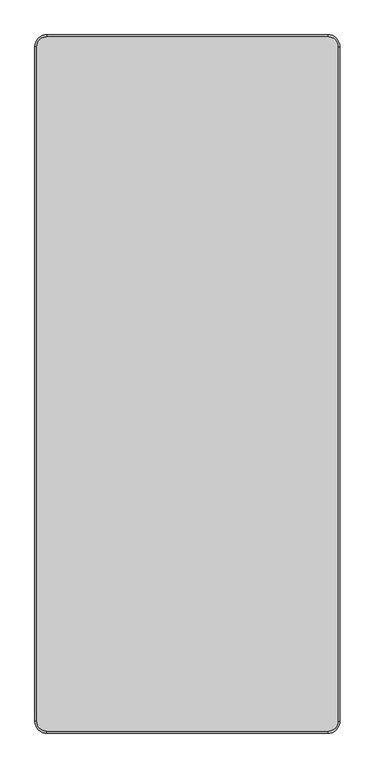
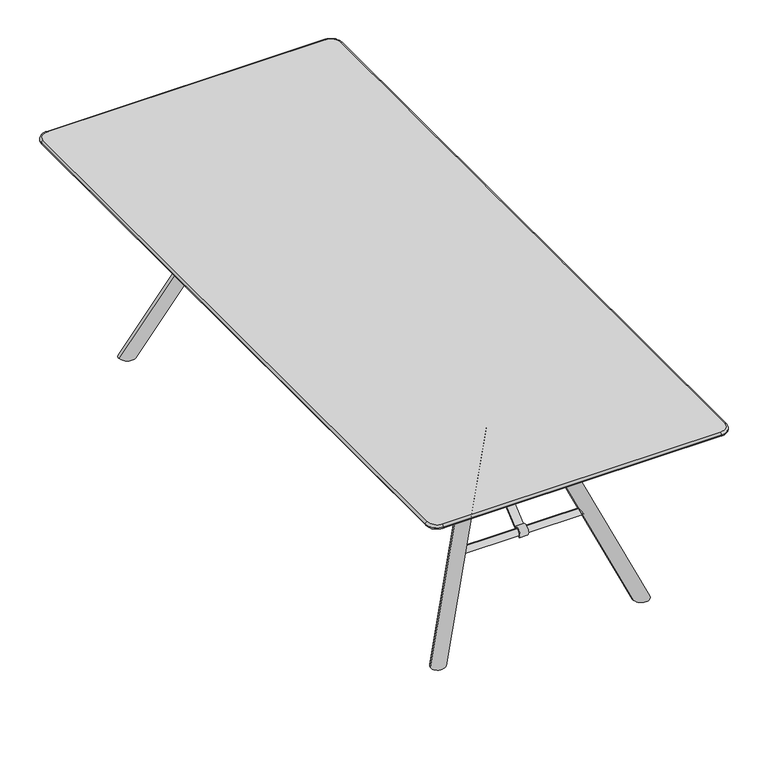
"""IFC4 building model written with IfcOpenShell, lengths in millimetres: furniture geometry."""

import ifcopenshell
import ifcopenshell.guid

model = None  # the IFC model being written
_history = None  # IfcOwnerHistory: only IFC2X3 demands one
_inside = {}  # id of a spatial element -> (the spatial element, [elements in it])
_under = {}  # id of a project, library or spatial element -> (it, [spatial elements below it])
_declared = {}  # id of a project -> (the project, [libraries it declares])
_typed = {}  # id of a type object -> (the type object, [elements of that type])
_made_of = {}  # id of a material, layer set ... -> (it, [elements and type objects made of it])


def new_model(schema):
    """Start an empty IFC model of exactly this schema.

    Asked for "IFC4X3", IfcOpenShell would pick the latest addendum, in which some entities
    have other attributes; the version numbers below select the first issue.
    IFC2X3 requires an IfcOwnerHistory on every rooted entity: one is made here for all.
    """
    global model, _history
    if schema == "IFC4X3":
        model = ifcopenshell.file(schema_version=(4, 3, 0, 0))
    else:
        model = ifcopenshell.file(schema=schema)
    _inside.clear()
    _under.clear()
    _declared.clear()
    _typed.clear()
    _made_of.clear()
    _history = None
    if model.schema == "IFC2X3":
        org = make("IfcOrganization", Name="unknown")
        user = make(
            "IfcPersonAndOrganization",
            ThePerson=make("IfcPerson", FamilyName="unknown"),
            TheOrganization=org,
        )
        app = make(
            "IfcApplication",
            ApplicationDeveloper=org,
            Version="unknown",
            ApplicationFullName="unknown",
            ApplicationIdentifier="unknown",
        )
        _history = make(
            "IfcOwnerHistory",
            OwningUser=user,
            OwningApplication=app,
            ChangeAction="ADDED",
            CreationDate=0,
        )
    return model


def make(cls, **values):
    """One entity of the class cls with the attributes given. An attribute that is None is left unset."""
    return model.create_entity(
        cls, **{name: value for name, value in values.items() if value is not None}
    )


def rooted(cls, **values):
    """An entity with a GlobalId (a new one), such as an element, a storey or a relation."""
    return make(cls, GlobalId=ifcopenshell.guid.new(), OwnerHistory=_history, **values)


def si_unit(unit_type, name, prefix=None):
    """IfcSIUnit, for example si_unit("LENGTHUNIT", "METRE", prefix="MILLI")."""
    return make("IfcSIUnit", UnitType=unit_type, Prefix=prefix, Name=name)


def assignment(units):
    """IfcUnitAssignment: the units of a project."""
    return None if units is None else make("IfcUnitAssignment", Units=units)


def point(xyz):
    """IfcCartesianPoint."""
    return None if xyz is None else make("IfcCartesianPoint", Coordinates=xyz)


def direction(xyz):
    """IfcDirection."""
    return None if xyz is None else make("IfcDirection", DirectionRatios=xyz)


def frame(location, z_axis=None, x_axis=None):
    """IfcAxis2Placement3D, a coordinate frame: its origin and axes. An axis left out is left unset."""
    return make(
        "IfcAxis2Placement3D",
        Location=point(location),
        Axis=direction(z_axis),
        RefDirection=direction(x_axis),
    )


def frame_2d(location, x_axis=None):
    """IfcAxis2Placement2D, a coordinate frame in the plane: its origin and x axis."""
    return make(
        "IfcAxis2Placement2D", Location=point(location), RefDirection=direction(x_axis)
    )


def origin():
    """The frame at (0, 0, 0) with its axes left unset."""
    return frame((0.0, 0.0, 0.0))


def place(relative_to, where):
    """IfcLocalPlacement: puts the frame where relative to a parent placement (None: the world)."""
    return make(
        "IfcLocalPlacement", PlacementRelTo=relative_to, RelativePlacement=where
    )


def context(
    kind, dimensions, precision=None, world=None, true_north=None, identifier=None
):
    """IfcGeometricRepresentationContext, for example the 3D "Model" context."""
    return make(
        "IfcGeometricRepresentationContext",
        ContextIdentifier=identifier,
        ContextType=kind,
        CoordinateSpaceDimension=dimensions,
        Precision=precision,
        WorldCoordinateSystem=world,
        TrueNorth=true_north,
    )


def project(units=None, contexts=None):
    """IfcProject with its units and contexts."""
    return rooted(
        "IfcProject",
        Name="project",
        RepresentationContexts=contexts,
        UnitsInContext=assignment(units),
    )


def spatial(cls, under=None, at=None, **own):
    """A site, building, storey or space (cls), placed at a placement, below another one or the project."""
    s = rooted(cls, ObjectPlacement=at, **own)
    if under is not None:
        _under.setdefault(under.id(), (under, []))[1].append(s)
    return s


def polyline(points):
    """IfcPolyline through the points."""
    return make("IfcPolyline", Points=[point(p) for p in points])


def circle_curve(where, radius):
    """IfcCircle in the frame where."""
    return make("IfcCircle", Position=where, Radius=radius)


def ellipse_curve(where, semi_axis1, semi_axis2):
    """IfcEllipse in the frame where."""
    return make(
        "IfcEllipse", Position=where, SemiAxis1=semi_axis1, SemiAxis2=semi_axis2
    )


def trimmed(basis, trim1, trim2, sense, master):
    """IfcTrimmedCurve: the piece of a basis curve between two trims."""
    return make(
        "IfcTrimmedCurve",
        BasisCurve=basis,
        Trim1=trim1,
        Trim2=trim2,
        SenseAgreement=sense,
        MasterRepresentation=master,
    )


def segment(curve, same_sense, transition):
    """IfcCompositeCurveSegment."""
    return make(
        "IfcCompositeCurveSegment",
        Transition=transition,
        SameSense=same_sense,
        ParentCurve=curve,
    )


def composite_curve(segments, self_intersect=None):
    """IfcCompositeCurve: segments joined end to end."""
    return make("IfcCompositeCurve", Segments=segments, SelfIntersect=self_intersect)


def outline(outer, holes=None, kind="AREA"):
    """IfcArbitraryClosedProfileDef: a profile drawn as a closed curve; with holes, ...WithVoids."""
    if holes is None:
        return make("IfcArbitraryClosedProfileDef", ProfileType=kind, OuterCurve=outer)
    return make(
        "IfcArbitraryProfileDefWithVoids",
        ProfileType=kind,
        OuterCurve=outer,
        InnerCurves=holes,
    )


def extrude(swept, where, along, depth):
    """IfcExtrudedAreaSolid: the profile swept, set in the frame where, extruded along a direction by depth."""
    return make(
        "IfcExtrudedAreaSolid",
        SweptArea=swept,
        Position=where,
        ExtrudedDirection=direction(along),
        Depth=depth,
    )


def shape(context_of_items, identifier, shape_type, items):
    """IfcShapeRepresentation: the items that make up one representation, for example the "Body"."""
    return make(
        "IfcShapeRepresentation",
        ContextOfItems=context_of_items,
        RepresentationIdentifier=identifier,
        RepresentationType=shape_type,
        Items=items,
    )


def source(mapping_origin, context_of_items, identifier, shape_type, items):
    """IfcRepresentationMap: a shape defined once, which mapped items show again and again."""
    return make(
        "IfcRepresentationMap",
        MappingOrigin=mapping_origin,
        MappedRepresentation=shape(context_of_items, identifier, shape_type, items),
    )


def transform(
    local_origin,
    x_axis=None,
    y_axis=None,
    z_axis=None,
    scale=None,
    scale2=None,
    scale3=None,
    uniform=True,
):
    """IfcCartesianTransformationOperator3D, or its non-uniform kind. x_axis, y_axis, z_axis: its Axis1, 2, 3."""
    if uniform:
        return make(
            "IfcCartesianTransformationOperator3D",
            Axis1=direction(x_axis),
            Axis2=direction(y_axis),
            LocalOrigin=point(local_origin),
            Scale=scale,
            Axis3=direction(z_axis),
        )
    return make(
        "IfcCartesianTransformationOperator3DnonUniform",
        Axis1=direction(x_axis),
        Axis2=direction(y_axis),
        LocalOrigin=point(local_origin),
        Scale=scale,
        Axis3=direction(z_axis),
        Scale2=scale2,
        Scale3=scale3,
    )


def mapped(mapping_source, mapping_target):
    """IfcMappedItem: shows the shape of a source again, moved by a transform."""
    return make(
        "IfcMappedItem", MappingSource=mapping_source, MappingTarget=mapping_target
    )


def made_of(thing, what):
    """Note that an element or type object is made of a material, layer set ...; save() writes the relation."""
    if what is not None:
        _made_of.setdefault(what.id(), (what, []))[1].append(thing)
    return thing


def element(
    cls,
    number,
    at=None,
    inside=None,
    cuts=None,
    type_object=None,
    material=None,
    context=None,
    identifier="Body",
    shape_type=None,
    held_by="IfcProductDefinitionShape",
    body=None,
    shapes=None,
    **own,
):
    """One element of the class cls, such as IfcWall. Its Tag is "e" and its number.

    at: its placement. inside: the storey or other place that contains it. cuts: it is an
    opening in that element (IfcRelVoidsElement). A single representation is given by context,
    identifier, shape_type and body (its items); several are given by shapes. held_by: the class
    of the entity that holds the representations. save() writes the other relations.
    """
    e = rooted(cls, Tag="e%d" % number, ObjectPlacement=at, **own)
    if body is not None:
        shapes = [shape(context, identifier, shape_type, body)]
    if shapes is not None:
        e.Representation = make(held_by, Representations=shapes)
    if inside is not None:
        _inside.setdefault(inside.id(), (inside, []))[1].append(e)
    if cuts is not None:
        rooted(
            "IfcRelVoidsElement", RelatingBuildingElement=cuts, RelatedOpeningElement=e
        )
    if type_object is not None:
        _typed.setdefault(type_object.id(), (type_object, []))[1].append(e)
    return made_of(e, material)


def aggregate(whole, parts):
    """IfcRelAggregates: a whole, such as a stair, and the parts it consists of."""
    return rooted("IfcRelAggregates", RelatingObject=whole, RelatedObjects=parts)


def save(model, path):
    """Write the relations noted so far, then the file.

    IfcRelAggregates (storeys below a building ...), IfcRelContainedInSpatialStructure (elements
    in a storey), IfcRelDefinesByType, IfcRelAssociatesMaterial and IfcRelDeclares: one each for
    every whole, place, type object, material and project.
    """
    for whole, parts in _under.values():
        aggregate(whole, parts)
    for where, things in _inside.values():
        rooted(
            "IfcRelContainedInSpatialStructure",
            RelatedElements=things,
            RelatingStructure=where,
        )
    for kind, things in _typed.values():
        rooted("IfcRelDefinesByType", RelatedObjects=things, RelatingType=kind)
    for what, things in _made_of.values():
        rooted("IfcRelAssociatesMaterial", RelatedObjects=things, RelatingMaterial=what)
    for by, libraries in _declared.values():
        rooted("IfcRelDeclares", RelatingContext=by, RelatedDefinitions=libraries)
    model.write(path)


def plane_surface(at):
    """IfcPlane: the flat surface through the origin of the frame at, square to its z axis."""
    return make("IfcPlane", Position=at)


def cylinder_surface(at, radius):
    """IfcCylindricalSurface: all points at the distance radius from the z axis of the frame at."""
    return make("IfcCylindricalSurface", Position=at, Radius=radius)


def revolved_surface(curve, axis_point, axis_direction):
    """IfcSurfaceOfRevolution: the curve turned about the line through axis_point along axis_direction."""
    return make(
        "IfcSurfaceOfRevolution",
        SweptCurve=make("IfcArbitraryOpenProfileDef", ProfileType="CURVE", Curve=curve),
        AxisPosition=make("IfcAxis1Placement", Location=point(axis_point), Axis=direction(axis_direction)),
    )


def advanced_brep(points, edges, surfaces, faces):
    """IfcAdvancedBrep: a solid bounded by faces that lie on surfaces and meet in shared edges.

    An edge is (start, end): straight between two places in points (the first is 0);
    or (start, end, curve); or (start, end, curve, False) where it runs against its curve.
    A face is (place in surfaces, loops), or (place, loops, False) where it looks against
    its surface's normal. A loop lists edges by number (the first is 1), with a minus sign
    where the edge is run from its end to its start. The first loop is the outer one.
    """
    corners = [point(p) for p in points]
    vertices = [make("IfcVertexPoint", VertexGeometry=c) for c in corners]
    made = []
    for start, end, *more in edges:
        made.append(
            make(
                "IfcEdgeCurve",
                EdgeStart=vertices[start],
                EdgeEnd=vertices[end],
                EdgeGeometry=more[0] if more else make("IfcPolyline", Points=[corners[start], corners[end]]),
                SameSense=more[1] if len(more) > 1 else True,
            )
        )
    hull = []
    for where, loops, *sense in faces:
        bounds = []
        for j, loop in enumerate(loops):
            ring = [make("IfcOrientedEdge", EdgeElement=made[abs(k) - 1], Orientation=k > 0) for k in loop]
            bounds.append(
                make(
                    "IfcFaceOuterBound" if j == 0 else "IfcFaceBound",
                    Bound=make("IfcEdgeLoop", EdgeList=ring),
                    Orientation=True,
                )
            )
        hull.append(make("IfcAdvancedFace", Bounds=bounds, FaceSurface=surfaces[where], SameSense=sense[0] if sense else True))
    return make("IfcAdvancedBrep", Outer=make("IfcClosedShell", CfsFaces=hull))


def furniture_215f58f5(model_context):
    return source(origin(), model_context, "Body", "SolidModel", [
        extrude(outline(composite_curve([segment(polyline([(-382.7995356, 696.9999876), (-318.4674309, 696.9999876), (-318.4674309, 693.9557965), (-381.7040688, 693.9557965), (-822.3687476, 318.9245802)]), True, "CONTINUOUS"), segment(trimmed(circle_curve(frame_2d((-834.262824, 308.2132689)), 16.0062876), [point((-822.3687476, 318.9245802))], [point((-846.8884441, 298.374826))], True, "CARTESIAN"), True, "CONTINUOUS"), segment(polyline([(-846.8884441, 298.374826), (-849.0227537, 296.2405164)]), True, "CONTINUOUS"), segment(trimmed(circle_curve(frame_2d((-834.961095, 308.9632055)), 18.9630446), [point((-849.0227537, 296.2405164))], [point((-822.2099951, 322.9991063))], False, "CARTESIAN"), True, "CONTINUOUS"), segment(polyline([(-822.2099951, 322.9991063), (-382.7995356, 696.9999876)]), True, "CONTINUOUS")], self_intersect=False)), frame((-18.7488756, 0.0, 0.0), z_axis=(1.0, 0.0, 0.0), x_axis=(0.0, 1.0, 0.0)), (0.0, 0.0, 1.0), 30.0854304),
        advanced_brep(
        [(-234.1299418, -834.5006792, 296.9759032), (-234.1299418, -834.5006792, 320.4264818), (-234.1299418, -834.5006792, 308.7011925), (225.8700582, -834.5006792, 308.7011925), (225.8700582, -834.5006792, 320.4264818), (225.8700582, -834.5006792, 296.9759032)],
        [
            (0, 1, circle_curve(frame((-234.1299418, -834.5006792, 308.7011925), z_axis=(-1.0, 0.0, 0.0), x_axis=(0.0, 0.0, 1.0)), 11.7252893)),
            (1, 2),
            (2, 0),
            (1, 0, circle_curve(frame((-234.1299418, -834.5006792, 308.7011925), z_axis=(-1.0, 0.0, 0.0), x_axis=(0.0, 0.0, 1.0)), 11.7252893)),
            (3, 4),
            (4, 5, circle_curve(frame((225.8700582, -834.5006792, 308.7011925), z_axis=(1.0, 0.0, 0.0), x_axis=(0.0, 0.0, 1.0)), 11.7252893)),
            (5, 3),
            (5, 4, circle_curve(frame((225.8700582, -834.5006792, 308.7011925), z_axis=(1.0, 0.0, 0.0), x_axis=(0.0, 0.0, 1.0)), 11.7252893)),
            (4, 1, circle_curve(frame((-4.1299418, -834.5006792, -4735.1313064), z_axis=(0.0, -1.0, 0.0), x_axis=(0.0, 0.0, -1.0)), 5060.7869497)),
            (0, 5, circle_curve(frame((-4.1299418, -834.5006792, 5352.5336915), z_axis=(0.0, -1.0, 0.0), x_axis=(0.0, 0.0, 1.0)), 5060.7869497)),
        ],
        [
            plane_surface(frame((-234.1299418, -834.5006792, 308.7011925), z_axis=(-1.0, 0.0, 0.0), x_axis=(0.0, 0.0, 1.0))),
            plane_surface(frame((225.8700582, -834.5006792, 308.7011925), z_axis=(1.0, 0.0, 0.0), x_axis=(0.0, 0.0, 1.0))),
            revolved_surface(trimmed(ellipse_curve(frame((-4.1299418, -834.5006792, -4735.1313064), z_axis=(0.0, 1.0, 0.0), x_axis=(0.0, 0.0, -1.0)), 5060.7869497, 5060.7869497), [point((-234.1299418, -834.5006792, 320.4264818))], [point((225.8700582, -834.5006792, 320.4264818))], True, "CARTESIAN"), (225.8700582, -834.5006792, 308.7011925), (1.0, 0.0, 0.0)),
        ],
        [
            (0, [[1, 2, 3]]),
            (0, [[4, -3, -2]]),
            (1, [[5, 6, 7]]),
            (1, [[-7, 8, -5]]),
            (2, [[-6, 9, -1, 10]]),
            (2, [[-8, -10, -4, -9]]),
        ],
    ),
        extrude(outline(composite_curve([segment(polyline([(382.7995356, 696.9999876), (822.2099951, 322.9991063)]), True, "CONTINUOUS"), segment(trimmed(circle_curve(frame_2d((834.961095, 308.9632055)), 18.9630446), [point((822.2099951, 322.9991063))], [point((849.0227537, 296.2405164))], False, "CARTESIAN"), True, "CONTINUOUS"), segment(polyline([(849.0227537, 296.2405164), (846.8884441, 298.374826)]), True, "CONTINUOUS"), segment(trimmed(circle_curve(frame_2d((834.262824, 308.2132689)), 16.0062876), [point((846.8884441, 298.374826))], [point((822.3687476, 318.9245802))], True, "CARTESIAN"), True, "CONTINUOUS"), segment(polyline([(822.3687476, 318.9245802), (381.7040688, 693.9557965), (318.4674309, 693.9557965), (318.4674309, 696.9999876), (382.7995356, 696.9999876)]), True, "CONTINUOUS")], self_intersect=False)), frame((-18.7488756, 0.0, 0.0), z_axis=(1.0, 0.0, 0.0), x_axis=(0.0, 1.0, 0.0)), (0.0, 0.0, 1.0), 30.0854304),
        advanced_brep(
        [(-234.1299418, 834.5006792, 308.7011925), (-234.1299418, 834.5006792, 320.4264818), (-234.1299418, 834.5006792, 296.9759032), (225.8700582, 834.5006792, 296.9759032), (225.8700582, 834.5006792, 320.4264818), (225.8700582, 834.5006792, 308.7011925)],
        [
            (0, 1),
            (1, 2, circle_curve(frame((-234.1299418, 834.5006792, 308.7011925), z_axis=(-1.0, 0.0, 0.0), x_axis=(0.0, 0.0, 1.0)), 11.7252893)),
            (2, 0),
            (2, 1, circle_curve(frame((-234.1299418, 834.5006792, 308.7011925), z_axis=(-1.0, 0.0, 0.0), x_axis=(0.0, 0.0, 1.0)), 11.7252893)),
            (3, 4, circle_curve(frame((225.8700582, 834.5006792, 308.7011925), z_axis=(1.0, 0.0, 0.0), x_axis=(0.0, 0.0, 1.0)), 11.7252893)),
            (4, 5),
            (5, 3),
            (4, 3, circle_curve(frame((225.8700582, 834.5006792, 308.7011925), z_axis=(1.0, 0.0, 0.0), x_axis=(0.0, 0.0, 1.0)), 11.7252893)),
            (1, 4, circle_curve(frame((-4.1299418, 834.5006792, -4735.1313064), z_axis=(0.0, 1.0, 0.0), x_axis=(0.0, 0.0, -1.0)), 5060.7869497)),
            (3, 2, circle_curve(frame((-4.1299418, 834.5006792, 5352.5336915), z_axis=(0.0, 1.0, 0.0), x_axis=(0.0, 0.0, 1.0)), 5060.7869497)),
        ],
        [
            plane_surface(frame((-234.1299418, 834.5006792, 308.7011925), z_axis=(-1.0, 0.0, 0.0), x_axis=(0.0, 0.0, 1.0))),
            plane_surface(frame((225.8700582, 834.5006792, 308.7011925), z_axis=(1.0, 0.0, 0.0), x_axis=(0.0, 0.0, 1.0))),
            revolved_surface(trimmed(ellipse_curve(frame((-4.1299418, 834.5006792, -4735.1313064), z_axis=(0.0, -1.0, 0.0), x_axis=(0.0, 0.0, -1.0)), 5060.7869497, 5060.7869497), [point((225.8700582, 834.5006792, 320.4264818))], [point((-234.1299418, 834.5006792, 320.4264818))], True, "CARTESIAN"), (225.8700582, 834.5006792, 308.7011925), (-1.0, 0.0, 0.0)),
        ],
        [
            (0, [[1, 2, 3]]),
            (0, [[-3, 4, -1]]),
            (1, [[5, 6, 7]]),
            (1, [[8, -7, -6]]),
            (2, [[-2, 9, -5, 10]]),
            (2, [[-4, -10, -8, -9]]),
        ],
    ),
        advanced_brep(
        [(327.1101507, -939.6804862, 0.0), (380.6471861, -939.3695552, 0.0), (109.9688176, -718.7539753, 667.7772071), (63.3065195, -724.66814, 650.8168831)],
        [
            (0, 1, ellipse_curve(frame((353.8786684, -939.5250207, 0.0), z_axis=(0.0, 0.0, -1.0), x_axis=(-0.7751468611530293, 0.6317810883879051, 0.0)), 28.2117965, 25.0)),
            (1, 0, ellipse_curve(frame((353.8786684, -939.5250207, 0.0), z_axis=(0.0, 0.0, -1.0), x_axis=(-0.7751468611530293, 0.6317810883879051, 0.0)), 28.2117965, 25.0)),
            (2, 3, circle_curve(frame((86.6376685, -721.7110576, 659.2970451), z_axis=(-0.35919577864696833, 0.29276142541603045, 0.8861541290264195), x_axis=(-0.9332459618296185, -0.1182832937809614, -0.33920648157285704)), 25.0)),
            (3, 2, circle_curve(frame((86.6376685, -721.7110576, 659.2970451), z_axis=(-0.35919577864696833, 0.29276142541603045, 0.8861541290264195), x_axis=(-0.9332459618296185, -0.1182832937809614, -0.33920648157285704)), 25.0)),
            (2, 1),
            (0, 3),
        ],
        [
            plane_surface(frame((414.9551578, -894.6298519, 0.0), z_axis=(0.0, 0.0, -1.0), x_axis=(-1.0, 0.0, 0.0))),
            plane_surface(frame((63.3065195, -724.66814, 650.8168831), z_axis=(-0.3591957786469684, 0.29276142541603045, 0.8861541290264195), x_axis=(0.005510656123217832, -0.9488412987432097, 0.315705277859574))),
            cylinder_surface(frame((359.1565975, -943.8267807, -13.0209177), z_axis=(-0.35919577864696833, 0.29276142541603045, 0.8861541290264195), x_axis=(-0.9332459618296185, -0.1182832937809614, -0.33920648157285704)), 25.0),
        ],
        [
            (0, [[1, 2]]),
            (1, [[3, 4]]),
            (2, [[-3, 5, -1, 6]]),
            (2, [[-4, -6, -2, -5]]),
        ],
    ),
        advanced_brep(
        [(-109.9688176, -718.7539753, 667.7772071), (-63.3065195, -724.66814, 650.8168831), (-327.1101507, -939.6804862, 0.0), (-380.6471861, -939.3695552, 0.0)],
        [
            (0, 1, circle_curve(frame((-86.6376685, -721.7110576, 659.2970451), z_axis=(0.3591957786469684, 0.2927614254160305, 0.8861541290264195), x_axis=(0.9332459618296185, -0.11828329378096139, -0.3392064815728571)), 25.0)),
            (1, 0, circle_curve(frame((-86.6376685, -721.7110576, 659.2970451), z_axis=(0.3591957786469684, 0.2927614254160305, 0.8861541290264195), x_axis=(0.9332459618296185, -0.11828329378096139, -0.3392064815728571)), 25.0)),
            (1, 2),
            (2, 3, ellipse_curve(frame((-353.8786684, -939.5250207, 0.0), z_axis=(0.0, 0.0, 1.0), x_axis=(0.7751468611530294, 0.6317810883879053, 0.0)), 28.2117965, 25.0)),
            (3, 0),
            (3, 2, ellipse_curve(frame((-353.8786684, -939.5250207, 0.0), z_axis=(0.0, 0.0, 1.0), x_axis=(0.7751468611530294, 0.6317810883879053, 0.0)), 28.2117965, 25.0)),
        ],
        [
            plane_surface(frame((-63.3065195, -724.66814, 650.8168831), z_axis=(0.3591957786469684, 0.2927614254160305, 0.8861541290264195), x_axis=(0.005510656123217837, 0.9488412987432097, -0.31570527785957403))),
            cylinder_surface(frame((-359.1565975, -943.8267807, -13.0209177), z_axis=(0.3591957786469684, 0.2927614254160305, 0.8861541290264195), x_axis=(0.9332459618296185, -0.11828329378096139, -0.3392064815728571)), 25.0),
            plane_surface(frame((414.9551578, -894.6298519, 0.0), z_axis=(0.0, 0.0, -1.0), x_axis=(-1.0, 0.0, 0.0))),
        ],
        [
            (0, [[1, 2]]),
            (1, [[-2, 3, 4, 5]]),
            (1, [[-1, -5, 6, -3]]),
            (2, [[-4, -6]]),
        ],
    ),
        extrude(outline(polyline([(705.4756617, -300.8039954), (687.6294954, -300.8039954), (642.3006437, -190.0), (642.3006437, 190.0), (687.6294954, 300.8039954), (705.4756617, 300.8039954), (705.4756617, -300.8039954)])), frame((0.0, -775.405654, 0.0), z_axis=(0.0, 1.0, 0.0), x_axis=(0.0, 0.0, 1.0)), (0.0, 0.0, 1.0), 100.000054),
        advanced_brep(
        [(380.6471861, 939.3695552, 0.0), (327.1101507, 939.6804862, 0.0), (109.9688176, 718.7539753, 667.7772071), (63.3065195, 724.66814, 650.8168831)],
        [
            (0, 1, ellipse_curve(frame((353.8786684, 939.5250207, 0.0), z_axis=(0.0, 0.0, -1.0), x_axis=(-0.7751468611530293, -0.6317810883879051, 0.0)), 28.2117965, 25.0)),
            (1, 0, ellipse_curve(frame((353.8786684, 939.5250207, 0.0), z_axis=(0.0, 0.0, -1.0), x_axis=(-0.7751468611530293, -0.6317810883879051, 0.0)), 28.2117965, 25.0)),
            (2, 3, circle_curve(frame((86.6376685, 721.7110576, 659.2970451), z_axis=(-0.35919577864696833, -0.29276142541603045, 0.8861541290264195), x_axis=(-0.9332459618296185, 0.1182832937809614, -0.33920648157285704)), 25.0)),
            (3, 2, circle_curve(frame((86.6376685, 721.7110576, 659.2970451), z_axis=(-0.35919577864696833, -0.29276142541603045, 0.8861541290264195), x_axis=(-0.9332459618296185, 0.1182832937809614, -0.33920648157285704)), 25.0)),
            (3, 1),
            (0, 2),
        ],
        [
            plane_surface(frame((414.9551578, 999.6298519, 0.0), z_axis=(0.0, 0.0, -1.0), x_axis=(-1.0, 0.0, 0.0))),
            plane_surface(frame((63.3065195, 724.66814, 650.8168831), z_axis=(-0.35919577864696833, -0.29276142541603045, 0.8861541290264195), x_axis=(-0.005510656123217832, -0.9488412987432097, -0.315705277859574))),
            cylinder_surface(frame((359.1565975, 943.8267807, -13.0209177), z_axis=(-0.35919577864696833, -0.29276142541603045, 0.8861541290264195), x_axis=(-0.9332459618296185, 0.1182832937809614, -0.33920648157285704)), 25.0),
        ],
        [
            (0, [[1, 2]]),
            (1, [[3, 4]]),
            (2, [[-4, 5, -1, 6]]),
            (2, [[-3, -6, -2, -5]]),
        ],
    ),
        advanced_brep(
        [(-109.9688176, 718.7539753, 667.7772071), (-63.3065195, 724.66814, 650.8168831), (-380.6471861, 939.3695552, 0.0), (-327.1101507, 939.6804862, 0.0)],
        [
            (0, 1, circle_curve(frame((-86.6376685, 721.7110576, 659.2970451), z_axis=(0.3591957786469684, -0.2927614254160305, 0.8861541290264195), x_axis=(0.9332459618296185, 0.11828329378096139, -0.3392064815728571)), 25.0)),
            (1, 0, circle_curve(frame((-86.6376685, 721.7110576, 659.2970451), z_axis=(0.3591957786469684, -0.2927614254160305, 0.8861541290264195), x_axis=(0.9332459618296185, 0.11828329378096139, -0.3392064815728571)), 25.0)),
            (0, 2),
            (2, 3, ellipse_curve(frame((-353.8786684, 939.5250207, 0.0), z_axis=(0.0, 0.0, 1.0), x_axis=(0.7751468611530294, -0.6317810883879053, 0.0)), 28.2117965, 25.0)),
            (3, 1),
            (3, 2, ellipse_curve(frame((-353.8786684, 939.5250207, 0.0), z_axis=(0.0, 0.0, 1.0), x_axis=(0.7751468611530294, -0.6317810883879053, 0.0)), 28.2117965, 25.0)),
        ],
        [
            plane_surface(frame((-63.3065195, 724.66814, 650.8168831), z_axis=(0.3591957786469684, -0.2927614254160305, 0.8861541290264195), x_axis=(-0.005510656123217837, 0.9488412987432097, 0.31570527785957403))),
            cylinder_surface(frame((-359.1565975, 943.8267807, -13.0209177), z_axis=(0.3591957786469684, -0.2927614254160305, 0.8861541290264195), x_axis=(0.9332459618296185, 0.11828329378096139, -0.3392064815728571)), 25.0),
            plane_surface(frame((414.9551578, 999.6298519, 0.0), z_axis=(0.0, 0.0, -1.0), x_axis=(-1.0, 0.0, 0.0))),
        ],
        [
            (0, [[1, 2]]),
            (1, [[-1, 3, 4, 5]]),
            (1, [[-2, -5, 6, -3]]),
            (2, [[-4, -6]]),
        ],
    ),
        extrude(outline(polyline([(705.4756617, -300.8039954), (687.6294954, -300.8039954), (642.3006437, -190.0), (642.3006437, 190.0), (687.6294954, 300.8039954), (705.4756617, 300.8039954), (705.4756617, -300.8039954)])), frame((0.0, 675.4056, 0.0), z_axis=(0.0, 1.0, 0.0), x_axis=(0.0, 0.0, 1.0)), (0.0, 0.0, 1.0), 100.000054),
        advanced_brep(
        [(518.3875297, 1160.0, 720.0), (485.0, 1193.3875297, 720.0), (-485.0, 1193.3875297, 720.0), (-518.3875297, 1160.0, 720.0), (-518.3875297, -1160.0, 720.0), (-485.0, -1193.3875297, 720.0), (485.0, -1193.3875297, 720.0), (518.3875297, -1160.0, 720.0), (485.0, 1165.0005076, 696.9999876), (490.0005076, 1160.0, 696.9999876), (490.0005076, -1160.0, 696.9999876), (485.0, -1165.0005076, 696.9999876), (-485.0, -1165.0005076, 696.9999876), (-490.0005076, -1160.0, 696.9999876), (-490.0005076, 1160.0, 696.9999876), (-485.0, 1165.0005076, 696.9999876), (521.0321209, 1160.0, 706.6108805), (485.0, 1196.0321209, 706.6108805), (485.0, 1200.0, 711.9936098), (525.0, 1160.0, 711.9936098), (525.0, 1160.0, 713.3875297), (485.0, 1200.0, 713.3875297), (521.0321209, -1160.0, 706.6108805), (525.0, -1160.0, 711.9936098), (525.0, -1160.0, 713.3875297), (485.0, -1196.0321209, 706.6108805), (485.0, -1200.0, 711.9936098), (485.0, -1200.0, 713.3875297), (-485.0, -1196.0321209, 706.6108805), (-485.0, -1200.0, 711.9936098), (-485.0, -1200.0, 713.3875297), (-521.0321209, -1160.0, 706.6108805), (-525.0, -1160.0, 711.9936098), (-525.0, -1160.0, 713.3875297), (-521.0321209, 1160.0, 706.6108805), (-525.0, 1160.0, 711.9936098), (-525.0, 1160.0, 713.3875297), (-485.0, 1196.0321209, 706.6108805), (-485.0, 1200.0, 711.9936098), (-485.0, 1200.0, 713.3875297)],
        [
            (0, 1, circle_curve(frame((485.0, 1160.0, 720.0), z_axis=(0.0, 0.0, 1.0), x_axis=(0.0, 1.0, 0.0)), 33.3875297)),
            (1, 2),
            (2, 3, circle_curve(frame((-485.0, 1160.0, 720.0), z_axis=(0.0, 0.0, 1.0), x_axis=(-1.0, 0.0, 0.0)), 33.3875297)),
            (3, 4),
            (4, 5, circle_curve(frame((-485.0, -1160.0, 720.0), z_axis=(0.0, 0.0, 1.0), x_axis=(0.0, -1.0, 0.0)), 33.3875297)),
            (5, 6),
            (6, 7, circle_curve(frame((485.0, -1160.0, 720.0), z_axis=(0.0, 0.0, 1.0), x_axis=(1.0, 0.0, 0.0)), 33.3875297)),
            (7, 0),
            (8, 9, circle_curve(frame((485.0, 1160.0, 696.9999876), z_axis=(0.0, 0.0, -1.0), x_axis=(0.0, 1.0, 0.0)), 5.0005076)),
            (9, 10),
            (10, 11, circle_curve(frame((485.0, -1160.0, 696.9999876), z_axis=(0.0, 0.0, -1.0), x_axis=(1.0, 0.0, 0.0)), 5.0005076)),
            (11, 12),
            (12, 13, circle_curve(frame((-485.0, -1160.0, 696.9999876), z_axis=(0.0, 0.0, -1.0), x_axis=(0.0, -1.0, 0.0)), 5.0005076)),
            (13, 14),
            (14, 15, circle_curve(frame((-485.0, 1160.0, 696.9999876), z_axis=(0.0, 0.0, -1.0), x_axis=(-1.0, 0.0, 0.0)), 5.0005076)),
            (15, 8),
            (16, 9),
            (8, 17),
            (17, 16, circle_curve(frame((485.0, 1160.0, 706.6108805), z_axis=(0.0, 0.0, -1.0), x_axis=(0.0, 1.0, 0.0)), 36.0321209)),
            (17, 18, circle_curve(frame((485.0, 1194.3650199, 711.9936098), z_axis=(1.0, 0.0, 0.0), x_axis=(0.0, -1.0, 0.0)), 5.6349801)),
            (18, 19, circle_curve(frame((485.0, 1160.0, 711.9936098), z_axis=(0.0, 0.0, -1.0), x_axis=(0.0, 1.0, 0.0)), 40.0)),
            (19, 16, circle_curve(frame((519.3650199, 1160.0, 711.9936098), z_axis=(0.0, 1.0, 0.0), x_axis=(-1.0, 0.0, 0.0)), 5.6349801)),
            (0, 20, circle_curve(frame((518.3875297, 1160.0, 713.3875297), z_axis=(0.0, 1.0, 0.0), x_axis=(-1.0, 0.0, 0.0)), 6.6124703)),
            (20, 21, circle_curve(frame((485.0, 1160.0, 713.3875297), z_axis=(0.0, 0.0, 1.0), x_axis=(0.0, 1.0, 0.0)), 40.0)),
            (21, 1, circle_curve(frame((485.0, 1193.3875297, 713.3875297), z_axis=(1.0, 0.0, 0.0), x_axis=(0.0, -1.0, 0.0)), 6.6124703)),
            (16, 22),
            (22, 10),
            (19, 23),
            (23, 22, circle_curve(frame((519.3650199, -1160.0, 711.9936098), z_axis=(0.0, 1.0, 0.0), x_axis=(-1.0, 0.0, 0.0)), 5.6349801)),
            (7, 24, circle_curve(frame((518.3875297, -1160.0, 713.3875297), z_axis=(0.0, 1.0, 0.0), x_axis=(-1.0, 0.0, 0.0)), 6.6124703)),
            (24, 20),
            (22, 25, circle_curve(frame((485.0, -1160.0, 706.6108805), z_axis=(0.0, 0.0, -1.0), x_axis=(1.0, 0.0, 0.0)), 36.0321209)),
            (25, 11),
            (23, 26, circle_curve(frame((485.0, -1160.0, 711.9936098), z_axis=(0.0, 0.0, -1.0), x_axis=(1.0, 0.0, 0.0)), 40.0)),
            (26, 25, circle_curve(frame((485.0, -1194.3650199, 711.9936098), z_axis=(1.0, 0.0, 0.0), x_axis=(0.0, 1.0, 0.0)), 5.6349801)),
            (6, 27, circle_curve(frame((485.0, -1193.3875297, 713.3875297), z_axis=(1.0, 0.0, 0.0), x_axis=(0.0, 1.0, 0.0)), 6.6124703)),
            (27, 24, circle_curve(frame((485.0, -1160.0, 713.3875297), z_axis=(0.0, 0.0, 1.0), x_axis=(1.0, 0.0, 0.0)), 40.0)),
            (25, 28),
            (28, 12),
            (26, 29),
            (29, 28, circle_curve(frame((-485.0, -1194.3650199, 711.9936098), z_axis=(1.0, 0.0, 0.0), x_axis=(0.0, 1.0, 0.0)), 5.6349801)),
            (5, 30, circle_curve(frame((-485.0, -1193.3875297, 713.3875297), z_axis=(1.0, 0.0, 0.0), x_axis=(0.0, 1.0, 0.0)), 6.6124703)),
            (30, 27),
            (28, 31, circle_curve(frame((-485.0, -1160.0, 706.6108805), z_axis=(0.0, 0.0, -1.0), x_axis=(0.0, -1.0, 0.0)), 36.0321209)),
            (31, 13),
            (29, 32, circle_curve(frame((-485.0, -1160.0, 711.9936098), z_axis=(0.0, 0.0, -1.0), x_axis=(0.0, -1.0, 0.0)), 40.0)),
            (32, 31, circle_curve(frame((-519.3650199, -1160.0, 711.9936098), z_axis=(0.0, -1.0, 0.0), x_axis=(1.0, 0.0, 0.0)), 5.6349801)),
            (4, 33, circle_curve(frame((-518.3875297, -1160.0, 713.3875297), z_axis=(0.0, -1.0, 0.0), x_axis=(1.0, 0.0, 0.0)), 6.6124703)),
            (33, 30, circle_curve(frame((-485.0, -1160.0, 713.3875297), z_axis=(0.0, 0.0, 1.0), x_axis=(0.0, -1.0, 0.0)), 40.0)),
            (31, 34),
            (34, 14),
            (32, 35),
            (35, 34, circle_curve(frame((-519.3650199, 1160.0, 711.9936098), z_axis=(0.0, -1.0, 0.0), x_axis=(1.0, 0.0, 0.0)), 5.6349801)),
            (3, 36, circle_curve(frame((-518.3875297, 1160.0, 713.3875297), z_axis=(0.0, -1.0, 0.0), x_axis=(1.0, 0.0, 0.0)), 6.6124703)),
            (36, 33),
            (34, 37, circle_curve(frame((-485.0, 1160.0, 706.6108805), z_axis=(0.0, 0.0, -1.0), x_axis=(-1.0, 0.0, 0.0)), 36.0321209)),
            (37, 15),
            (35, 38, circle_curve(frame((-485.0, 1160.0, 711.9936098), z_axis=(0.0, 0.0, -1.0), x_axis=(-1.0, 0.0, 0.0)), 40.0)),
            (38, 37, circle_curve(frame((-485.0, 1194.3650199, 711.9936098), z_axis=(-1.0, 0.0, 0.0), x_axis=(0.0, -1.0, 0.0)), 5.6349801)),
            (2, 39, circle_curve(frame((-485.0, 1193.3875297, 713.3875297), z_axis=(-1.0, 0.0, 0.0), x_axis=(0.0, -1.0, 0.0)), 6.6124703)),
            (39, 36, circle_curve(frame((-485.0, 1160.0, 713.3875297), z_axis=(0.0, 0.0, 1.0), x_axis=(-1.0, 0.0, 0.0)), 40.0)),
            (37, 17),
            (38, 18),
            (21, 39),
            (21, 18),
            (38, 39),
            (35, 36),
            (32, 33),
            (29, 30),
            (26, 27),
            (23, 24),
            (19, 20),
        ],
        [
            plane_surface(frame((-485.310117, 1200.0, 720.0), z_axis=(0.0, 0.0, 1.0), x_axis=(-1.0, 0.0, 0.0))),
            plane_surface(frame((-485.310117, 1200.0, 696.9999876), z_axis=(0.0, 0.0, -1.0), x_axis=(1.0, 0.0, 0.0))),
            revolved_surface(polyline([(485.0, 1196.0321209, 706.6108805), (485.0, 1165.0005076, 696.9999876)]), (485.0, 1160.0, -18.7809165), (0.0, 0.0, -1.0)),
            revolved_surface(trimmed(ellipse_curve(frame((485.0, 1194.3650199, 711.9936098), z_axis=(-1.0, 0.0, 0.0), x_axis=(0.0, -1.0, 0.0)), 5.6349801, 5.6349801), [point((485.0, 1200.0, 711.9936098))], [point((485.0, 1196.0321209, 706.6108805))], True, "CARTESIAN"), (485.0, 1160.0, -18.7809165), (0.0, 0.0, -1.0)),
            revolved_surface(trimmed(ellipse_curve(frame((485.0, 1193.3875297, 713.3875297), z_axis=(-1.0, 0.0, 0.0), x_axis=(0.0, -1.0, 0.0)), 6.6124703, 6.6124703), [point((485.0, 1193.3875297, 720.0))], [point((485.0, 1200.0, 713.3875297))], True, "CARTESIAN"), (485.0, 1160.0, -18.7809165), (0.0, 0.0, -1.0)),
            plane_surface(frame((490.0005076, 1160.0, 696.9999876), z_axis=(0.295848611790623, 0.0, -0.9552348396606781), x_axis=(0.0, -1.0, 0.0))),
            cylinder_surface(frame((519.3650199, 1160.0, 711.9936098), z_axis=(0.0, -1.0, 0.0), x_axis=(-1.0, 0.0, 0.0)), 5.6349801),
            cylinder_surface(frame((518.3875297, 1160.0, 713.3875297), z_axis=(0.0, -1.0, 0.0), x_axis=(-1.0, 0.0, 0.0)), 6.6124703),
            revolved_surface(polyline([(521.0321209, -1160.0, 706.6108805), (490.0005076, -1160.0, 696.9999876)]), (485.0, -1160.0, -18.7809165), (0.0, 0.0, -1.0)),
            revolved_surface(trimmed(ellipse_curve(frame((519.3650199, -1160.0, 711.9936098), z_axis=(0.0, 1.0, 0.0), x_axis=(-1.0, 0.0, 0.0)), 5.6349801, 5.6349801), [point((525.0, -1160.0, 711.9936098))], [point((521.0321209, -1160.0, 706.6108805))], True, "CARTESIAN"), (485.0, -1160.0, -18.7809165), (0.0, 0.0, -1.0)),
            revolved_surface(trimmed(ellipse_curve(frame((518.3875297, -1160.0, 713.3875297), z_axis=(0.0, 1.0, 0.0), x_axis=(-1.0, 0.0, 0.0)), 6.6124703, 6.6124703), [point((518.3875297, -1160.0, 720.0))], [point((525.0, -1160.0, 713.3875297))], True, "CARTESIAN"), (485.0, -1160.0, -18.7809165), (0.0, 0.0, -1.0)),
            plane_surface(frame((485.0, -1165.0005076, 696.9999876), z_axis=(0.0, -0.295848611790623, -0.9552348396606781), x_axis=(-1.0, 0.0, 0.0))),
            cylinder_surface(frame((485.0, -1194.3650199, 711.9936098), z_axis=(-1.0, 0.0, 0.0), x_axis=(0.0, 1.0, 0.0)), 5.6349801),
            cylinder_surface(frame((485.0, -1193.3875297, 713.3875297), z_axis=(-1.0, 0.0, 0.0), x_axis=(0.0, 1.0, 0.0)), 6.6124703),
            revolved_surface(polyline([(-485.0, -1196.0321209, 706.6108805), (-485.0, -1165.0005076, 696.9999876)]), (-485.0, -1160.0, -18.7809165), (0.0, 0.0, -1.0)),
            revolved_surface(trimmed(ellipse_curve(frame((-485.0, -1194.3650199, 711.9936098), z_axis=(1.0, 0.0, 0.0), x_axis=(0.0, 1.0, 0.0)), 5.6349801, 5.6349801), [point((-485.0, -1200.0, 711.9936098))], [point((-485.0, -1196.0321209, 706.6108805))], True, "CARTESIAN"), (-485.0, -1160.0, -18.7809165), (0.0, 0.0, -1.0)),
            revolved_surface(trimmed(ellipse_curve(frame((-485.0, -1193.3875297, 713.3875297), z_axis=(1.0, 0.0, 0.0), x_axis=(0.0, 1.0, 0.0)), 6.6124703, 6.6124703), [point((-485.0, -1193.3875297, 720.0))], [point((-485.0, -1200.0, 713.3875297))], True, "CARTESIAN"), (-485.0, -1160.0, -18.7809165), (0.0, 0.0, -1.0)),
            plane_surface(frame((-490.0005076, -1160.0, 696.9999876), z_axis=(-0.295848611790623, 0.0, -0.9552348396606781), x_axis=(0.0, 1.0, 0.0))),
            cylinder_surface(frame((-519.3650199, -1160.0, 711.9936098), z_axis=(0.0, 1.0, 0.0), x_axis=(1.0, 0.0, 0.0)), 5.6349801),
            cylinder_surface(frame((-518.3875297, -1160.0, 713.3875297), z_axis=(0.0, 1.0, 0.0), x_axis=(1.0, 0.0, 0.0)), 6.6124703),
            revolved_surface(polyline([(-521.0321209, 1160.0, 706.6108805), (-490.0005076, 1160.0, 696.9999876)]), (-485.0, 1160.0, -18.7809165), (0.0, 0.0, -1.0)),
            revolved_surface(trimmed(ellipse_curve(frame((-519.3650199, 1160.0, 711.9936098), z_axis=(0.0, -1.0, 0.0), x_axis=(1.0, 0.0, 0.0)), 5.6349801, 5.6349801), [point((-525.0, 1160.0, 711.9936098))], [point((-521.0321209, 1160.0, 706.6108805))], True, "CARTESIAN"), (-485.0, 1160.0, -18.7809165), (0.0, 0.0, -1.0)),
            revolved_surface(trimmed(ellipse_curve(frame((-518.3875297, 1160.0, 713.3875297), z_axis=(0.0, -1.0, 0.0), x_axis=(1.0, 0.0, 0.0)), 6.6124703, 6.6124703), [point((-518.3875297, 1160.0, 720.0))], [point((-525.0, 1160.0, 713.3875297))], True, "CARTESIAN"), (-485.0, 1160.0, -18.7809165), (0.0, 0.0, -1.0)),
            plane_surface(frame((-485.0, 1165.0005076, 696.9999876), z_axis=(0.0, 0.295848611790623, -0.9552348396606781), x_axis=(1.0, 0.0, 0.0))),
            cylinder_surface(frame((-485.0, 1194.3650199, 711.9936098), z_axis=(1.0, 0.0, 0.0), x_axis=(0.0, -1.0, 0.0)), 5.6349801),
            cylinder_surface(frame((-485.0, 1193.3875297, 713.3875297), z_axis=(1.0, 0.0, 0.0), x_axis=(0.0, -1.0, 0.0)), 6.6124703),
            plane_surface(frame((485.0, 1200.0, 720.0), z_axis=(0.0, 1.0, 0.0), x_axis=(0.0, 0.0, -1.0))),
            cylinder_surface(frame((-485.0, 1160.0, 696.9999876), z_axis=(0.0, 0.0, 1.0), x_axis=(1.0, 0.0, 0.0)), 40.0),
            plane_surface(frame((-525.0, 1160.0, 720.0), z_axis=(-1.0, 0.0, 0.0), x_axis=(0.0, 0.0, -1.0))),
            cylinder_surface(frame((-485.0, -1160.0, 696.9999876), z_axis=(0.0, 0.0, 1.0), x_axis=(1.0, 0.0, 0.0)), 40.0),
            plane_surface(frame((-485.0, -1200.0, 720.0), z_axis=(0.0, -1.0, 0.0), x_axis=(0.0, 0.0, -1.0))),
            cylinder_surface(frame((485.0, -1160.0, 696.9999876), z_axis=(0.0, 0.0, 1.0), x_axis=(1.0, 0.0, 0.0)), 40.0),
            plane_surface(frame((525.0, -1160.0, 720.0), z_axis=(1.0, 0.0, 0.0), x_axis=(0.0, 0.0, -1.0))),
            cylinder_surface(frame((485.0, 1160.0, 696.9999876), z_axis=(0.0, 0.0, 1.0), x_axis=(1.0, 0.0, 0.0)), 40.0),
        ],
        [
            (0, [[1, 2, 3, 4, 5, 6, 7, 8]]),
            (1, [[9, 10, 11, 12, 13, 14, 15, 16]]),
            (2, [[17, -9, 18, 19]]),
            (3, [[-19, 20, 21, 22]]),
            (4, [[23, 24, 25, -1]]),
            (5, [[-17, 26, 27, -10]]),
            (6, [[-22, 28, 29, -26]]),
            (7, [[-23, -8, 30, 31]]),
            (8, [[-27, 32, 33, -11]]),
            (9, [[-29, 34, 35, -32]]),
            (10, [[-30, -7, 36, 37]]),
            (11, [[-33, 38, 39, -12]]),
            (12, [[-35, 40, 41, -38]]),
            (13, [[-36, -6, 42, 43]]),
            (14, [[-39, 44, 45, -13]]),
            (15, [[-41, 46, 47, -44]]),
            (16, [[-42, -5, 48, 49]]),
            (17, [[-45, 50, 51, -14]]),
            (18, [[-47, 52, 53, -50]]),
            (19, [[-48, -4, 54, 55]]),
            (20, [[-51, 56, 57, -15]]),
            (21, [[-53, 58, 59, -56]]),
            (22, [[-54, -3, 60, 61]]),
            (23, [[-18, -16, -57, 62]]),
            (24, [[-20, -62, -59, 63]]),
            (25, [[-25, 64, -60, -2]]),
            (26, [[65, -63, 66, -64]]),
            (27, [[-66, -58, 67, -61]]),
            (28, [[-67, -52, 68, -55]]),
            (29, [[-68, -46, 69, -49]]),
            (30, [[-69, -40, 70, -43]]),
            (31, [[-70, -34, 71, -37]]),
            (32, [[-71, -28, 72, -31]]),
            (33, [[-65, -24, -72, -21]]),
        ],
    ),
    ])


if __name__ == "__main__":
    model = new_model("IFC4")
    model_context = context("Model", 3, world=origin())
    ifc_project = project(units=[si_unit("LENGTHUNIT", "METRE", prefix="MILLI")], contexts=[model_context])
    site = spatial("IfcSite", under=ifc_project)
    building = spatial("IfcBuilding", under=site)
    placement = place(None, origin())
    furniture_shape = furniture_215f58f5(model_context)
    element("IfcFurniture", 1, at=placement, inside=building, context=model_context, shape_type="MappedRepresentation", body=[
        mapped(furniture_shape, transform((0.0, 0.0, 0.0), x_axis=(1.0, 0.0, 0.0), y_axis=(0.0, 1.0, 0.0), z_axis=(0.0, 0.0, 1.0))),
    ])
    save(model, "model.ifc")
